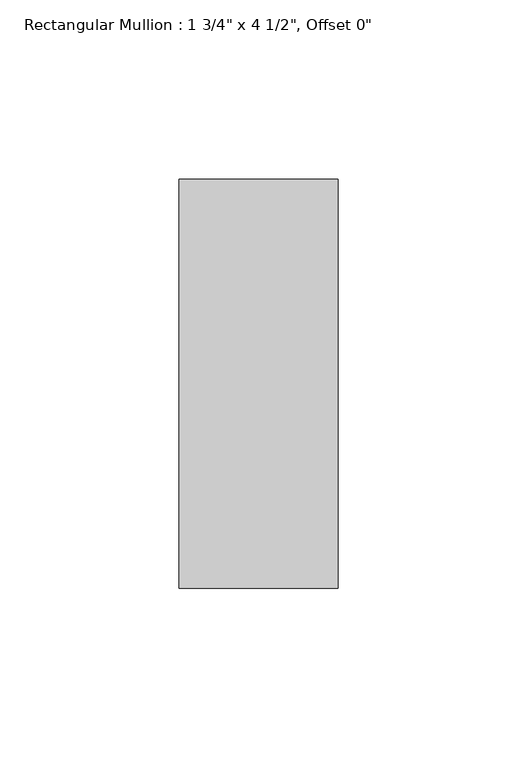
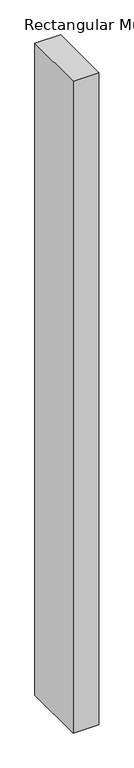
"""IFC4 building model written with IfcOpenShell, lengths in millimetres: member geometry."""

from ifc_helpers import new_model, si_unit, frame, origin, place, context, project, spatial, polyline, outline, extrude, source, transform, mapped, element, save


def member_e0d03c5d(model_context):
    return source(origin(), model_context, "Body", "SweptSolid", [
        extrude(outline(polyline([(0.0, 57.15), (0.0, -57.15), (-44.45, -57.15), (-44.45, 57.15), (0.0, 57.15)])), frame((0.0, 0.0, -1193.8), z_axis=(0.0, 0.0, 1.0), x_axis=(1.0, 0.0, 0.0)), (0.0, 0.0, 1.0), 1193.8),
    ])


if __name__ == "__main__":
    model = new_model("IFC4")
    model_context = context("Model", 3, world=origin())
    ifc_project = project(units=[si_unit("LENGTHUNIT", "METRE", prefix="MILLI")], contexts=[model_context])
    site = spatial("IfcSite", under=ifc_project)
    building = spatial("IfcBuilding", under=site)
    placement = place(None, origin())
    member_shape = member_e0d03c5d(model_context)
    element("IfcMember", 1, ObjectType="Rectangular Mullion : 1 3/4\" x 4 1/2\", Offset 0\"", at=placement, inside=building, context=model_context, shape_type="MappedRepresentation", body=[
        mapped(member_shape, transform((0.0, 0.0, 0.0), x_axis=(1.0, 0.0, 0.0), y_axis=(0.0, 1.0, 0.0), z_axis=(0.0, 0.0, 1.0))),
    ])
    save(model, "model.ifc")
